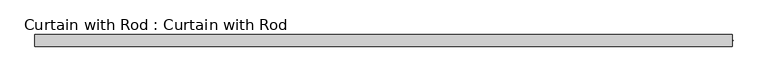
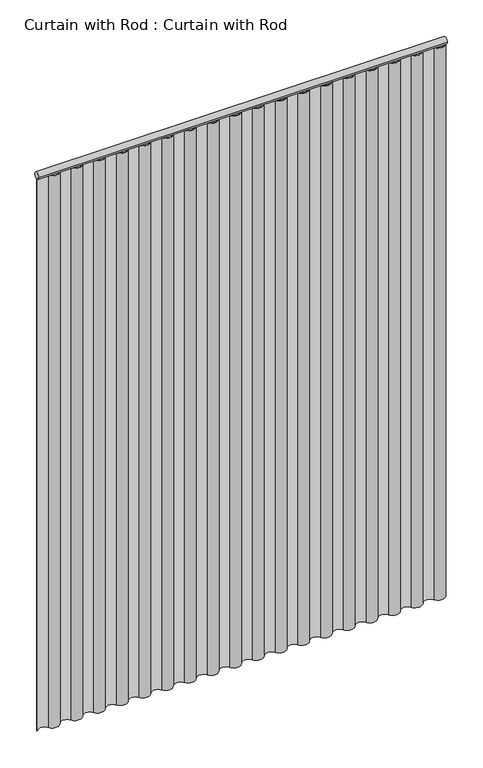
"""IFC4 building model written with IfcOpenShell, lengths in millimetres: proxy geometry, Curtain with Rod : Curtain with Rod."""

from ifc_helpers import new_model, si_unit, point, frame, frame_2d, origin, origin_with_axes, place, context, project, spatial, polyline, circle_curve, trimmed, segment, composite_curve, outline, extrude, source, transform, mapped, element, save


def curtain_with_rod_curtain_with_rod_9ff3320e(model_context):
    return source(origin(), model_context, "Body", "SweptSolid", [
        extrude(outline(composite_curve([segment(trimmed(circle_curve(frame_2d((0.0, 2171.7)), 12.7), [point((-12.7, 2171.7))], [point((12.7, 2171.7))], False, "CARTESIAN"), True, "CONTINUOUS"), segment(trimmed(circle_curve(frame_2d((0.0, 2171.7)), 12.7), [point((12.7, 2171.7))], [point((-12.7, 2171.7))], False, "CARTESIAN"), True, "CONTINUOUS")], self_intersect=False)), frame((-756.2169551, 0.0, 0.0), z_axis=(1.0, 0.0, 0.0), x_axis=(0.0, 1.0, 0.0)), (0.0, 0.0, 1.0), 1512.4339102),
        extrude(outline(composite_curve([segment(trimmed(circle_curve(frame_2d((-693.1988755, 12.5569534)), 24.4730511), [point((-714.204902, 0.0))], [point((-672.192849, 0.0))], True, "CARTESIAN"), True, "CONTINUOUS"), segment(trimmed(circle_curve(frame_2d((-651.1868224, -12.5569534)), 24.4730511), [point((-672.192849, 0.0))], [point((-630.1807959, 0.0))], False, "CARTESIAN"), True, "CONTINUOUS"), segment(trimmed(circle_curve(frame_2d((-609.1747694, 12.5569534)), 24.4730511), [point((-630.1807959, 0.0))], [point((-588.1687428, 0.0))], True, "CARTESIAN"), True, "CONTINUOUS"), segment(trimmed(circle_curve(frame_2d((-567.1627163, -12.5569534)), 24.4730511), [point((-588.1687428, 0.0))], [point((-546.1566898, 0.0))], False, "CARTESIAN"), True, "CONTINUOUS"), segment(trimmed(circle_curve(frame_2d((-525.1506632, 12.5569534)), 24.4730511), [point((-546.1566898, 0.0))], [point((-504.1446367, 0.0))], True, "CARTESIAN"), True, "CONTINUOUS"), segment(trimmed(circle_curve(frame_2d((-483.1386102, -12.5569534)), 24.4730511), [point((-504.1446367, 0.0))], [point((-462.1325837, 0.0))], False, "CARTESIAN"), True, "CONTINUOUS"), segment(trimmed(circle_curve(frame_2d((-441.1265571, 12.5569534)), 24.4730511), [point((-462.1325837, 0.0))], [point((-420.1205306, 0.0))], True, "CARTESIAN"), True, "CONTINUOUS"), segment(trimmed(circle_curve(frame_2d((-399.1145041, -12.5569534)), 24.4730511), [point((-420.1205306, 0.0))], [point((-378.1084775, 0.0))], False, "CARTESIAN"), True, "CONTINUOUS"), segment(trimmed(circle_curve(frame_2d((-357.102451, 12.5569534)), 24.4730511), [point((-378.1084775, 0.0))], [point((-336.0964245, 0.0))], True, "CARTESIAN"), True, "CONTINUOUS"), segment(trimmed(circle_curve(frame_2d((-315.0903979, -12.5569534)), 24.4730511), [point((-336.0964245, 0.0))], [point((-294.0843714, 0.0))], False, "CARTESIAN"), True, "CONTINUOUS"), segment(trimmed(circle_curve(frame_2d((-273.0783449, 12.5569534)), 24.4730511), [point((-294.0843714, 0.0))], [point((-252.0723184, 0.0))], True, "CARTESIAN"), True, "CONTINUOUS"), segment(trimmed(circle_curve(frame_2d((-231.0662918, -12.5569534)), 24.4730511), [point((-252.0723184, 0.0))], [point((-210.0602653, 0.0))], False, "CARTESIAN"), True, "CONTINUOUS"), segment(trimmed(circle_curve(frame_2d((-189.0542388, 12.5569534)), 24.4730511), [point((-210.0602653, 0.0))], [point((-168.0482122, 0.0))], True, "CARTESIAN"), True, "CONTINUOUS"), segment(trimmed(circle_curve(frame_2d((-147.0421857, -12.5569534)), 24.4730511), [point((-168.0482122, 0.0))], [point((-126.0361592, 0.0))], False, "CARTESIAN"), True, "CONTINUOUS"), segment(trimmed(circle_curve(frame_2d((-105.0301326, 12.5569534)), 24.4730511), [point((-126.0361592, 0.0))], [point((-84.0241061, 0.0))], True, "CARTESIAN"), True, "CONTINUOUS"), segment(trimmed(circle_curve(frame_2d((-63.0180796, -12.5569534)), 24.4730511), [point((-84.0241061, 0.0))], [point((-42.0120531, 0.0))], False, "CARTESIAN"), True, "CONTINUOUS"), segment(trimmed(circle_curve(frame_2d((-21.0060265, 12.5569534)), 24.4730511), [point((-42.0120531, 0.0))], [point((0.0, 0.0))], True, "CARTESIAN"), True, "CONTINUOUS"), segment(trimmed(circle_curve(frame_2d((21.0060265, -12.5569534)), 24.4730511), [point((0.0, 0.0))], [point((42.0120531, 0.0))], False, "CARTESIAN"), True, "CONTINUOUS"), segment(trimmed(circle_curve(frame_2d((63.0180796, 12.5569534)), 24.4730511), [point((42.0120531, 0.0))], [point((84.0241061, 0.0))], True, "CARTESIAN"), True, "CONTINUOUS"), segment(trimmed(circle_curve(frame_2d((105.0301326, -12.5569534)), 24.4730511), [point((84.0241061, 0.0))], [point((126.0361592, 0.0))], False, "CARTESIAN"), True, "CONTINUOUS"), segment(trimmed(circle_curve(frame_2d((147.0421857, 12.5569534)), 24.4730511), [point((126.0361592, 0.0))], [point((168.0482122, 0.0))], True, "CARTESIAN"), True, "CONTINUOUS"), segment(trimmed(circle_curve(frame_2d((189.0542388, -12.5569534)), 24.4730511), [point((168.0482122, 0.0))], [point((210.0602653, 0.0))], False, "CARTESIAN"), True, "CONTINUOUS"), segment(trimmed(circle_curve(frame_2d((231.0662918, 12.5569534)), 24.4730511), [point((210.0602653, 0.0))], [point((252.0723184, 0.0))], True, "CARTESIAN"), True, "CONTINUOUS"), segment(trimmed(circle_curve(frame_2d((273.0783449, -12.5569534)), 24.4730511), [point((252.0723184, 0.0))], [point((294.0843714, 0.0))], False, "CARTESIAN"), True, "CONTINUOUS"), segment(trimmed(circle_curve(frame_2d((315.0903979, 12.5569534)), 24.4730511), [point((294.0843714, 0.0))], [point((336.0964245, 0.0))], True, "CARTESIAN"), True, "CONTINUOUS"), segment(trimmed(circle_curve(frame_2d((357.102451, -12.5569534)), 24.4730511), [point((336.0964245, 0.0))], [point((378.1084775, 0.0))], False, "CARTESIAN"), True, "CONTINUOUS"), segment(trimmed(circle_curve(frame_2d((399.1145041, 12.5569534)), 24.4730511), [point((378.1084775, 0.0))], [point((420.1205306, 0.0))], True, "CARTESIAN"), True, "CONTINUOUS"), segment(trimmed(circle_curve(frame_2d((441.1265571, -12.5569534)), 24.4730511), [point((420.1205306, 0.0))], [point((462.1325837, 0.0))], False, "CARTESIAN"), True, "CONTINUOUS"), segment(trimmed(circle_curve(frame_2d((483.1386102, 12.5569534)), 24.4730511), [point((462.1325837, 0.0))], [point((504.1446367, 0.0))], True, "CARTESIAN"), True, "CONTINUOUS"), segment(trimmed(circle_curve(frame_2d((525.1506632, -12.5569534)), 24.4730511), [point((504.1446367, 0.0))], [point((546.1566898, 0.0))], False, "CARTESIAN"), True, "CONTINUOUS"), segment(trimmed(circle_curve(frame_2d((567.1627163, 12.5569534)), 24.4730511), [point((546.1566898, 0.0))], [point((588.1687428, 0.0))], True, "CARTESIAN"), True, "CONTINUOUS"), segment(trimmed(circle_curve(frame_2d((609.1747694, -12.5569534)), 24.4730511), [point((588.1687428, 0.0))], [point((630.1807959, 0.0))], False, "CARTESIAN"), True, "CONTINUOUS"), segment(trimmed(circle_curve(frame_2d((651.1868224, 12.5569534)), 24.4730511), [point((630.1807959, 0.0))], [point((672.192849, 0.0))], True, "CARTESIAN"), True, "CONTINUOUS"), segment(trimmed(circle_curve(frame_2d((693.1988755, -12.5458324)), 24.4673469), [point((672.192849, 0.0))], [point((714.204902, 0.0))], False, "CARTESIAN"), True, "CONTINUOUS"), segment(trimmed(circle_curve(frame_2d((735.2109285, 12.6570383)), 24.5245544), [point((714.204902, 0.0))], [point((756.2169551, 0.0))], True, "CARTESIAN"), True, "CONTINUOUS"), segment(polyline([(756.2169551, 0.0), (758.0480045, 0.0)]), True, "CONTINUOUS"), segment(trimmed(circle_curve(frame_2d((735.2109285, 12.6570383)), 26.1100107), [point((758.0480045, 0.0))], [point((712.8198703, -0.7732694))], False, "CARTESIAN"), True, "CONTINUOUS"), segment(trimmed(circle_curve(frame_2d((693.1988755, -12.5458324)), 22.8817979), [point((712.8198703, -0.7732694))], [point((673.5563845, -0.809171))], True, "CARTESIAN"), True, "CONTINUOUS"), segment(trimmed(circle_curve(frame_2d((651.1868224, 12.5569534)), 26.0585991), [point((673.5563845, -0.809171))], [point((628.8198678, -0.8135337))], False, "CARTESIAN"), True, "CONTINUOUS"), segment(trimmed(circle_curve(frame_2d((609.1747694, -12.5569534)), 22.8875031), [point((628.8198678, -0.8135337))], [point((589.529671, -0.8135337))], True, "CARTESIAN"), True, "CONTINUOUS"), segment(trimmed(circle_curve(frame_2d((567.1627163, 12.5569534)), 26.0585991), [point((589.529671, -0.8135337))], [point((544.7957617, -0.8135337))], False, "CARTESIAN"), True, "CONTINUOUS"), segment(trimmed(circle_curve(frame_2d((525.1506632, -12.5569534)), 22.8875031), [point((544.7957617, -0.8135337))], [point((505.5055648, -0.8135337))], True, "CARTESIAN"), True, "CONTINUOUS"), segment(trimmed(circle_curve(frame_2d((483.1386102, 12.5569534)), 26.0585991), [point((505.5055648, -0.8135337))], [point((460.7716555, -0.8135337))], False, "CARTESIAN"), True, "CONTINUOUS"), segment(trimmed(circle_curve(frame_2d((441.1265571, -12.5569534)), 22.8875031), [point((460.7716555, -0.8135337))], [point((421.4814587, -0.8135337))], True, "CARTESIAN"), True, "CONTINUOUS"), segment(trimmed(circle_curve(frame_2d((399.1145041, 12.5569534)), 26.0585991), [point((421.4814587, -0.8135337))], [point((376.7475494, -0.8135337))], False, "CARTESIAN"), True, "CONTINUOUS"), segment(trimmed(circle_curve(frame_2d((357.102451, -12.5569534)), 22.8875031), [point((376.7475494, -0.8135337))], [point((337.4573526, -0.8135337))], True, "CARTESIAN"), True, "CONTINUOUS"), segment(trimmed(circle_curve(frame_2d((315.0903979, 12.5569534)), 26.0585991), [point((337.4573526, -0.8135337))], [point((292.7234433, -0.8135337))], False, "CARTESIAN"), True, "CONTINUOUS"), segment(trimmed(circle_curve(frame_2d((273.0783449, -12.5569534)), 22.8875031), [point((292.7234433, -0.8135337))], [point((253.4332465, -0.8135337))], True, "CARTESIAN"), True, "CONTINUOUS"), segment(trimmed(circle_curve(frame_2d((231.0662918, 12.5569534)), 26.0585991), [point((253.4332465, -0.8135337))], [point((208.6993372, -0.8135337))], False, "CARTESIAN"), True, "CONTINUOUS"), segment(trimmed(circle_curve(frame_2d((189.0542388, -12.5569534)), 22.8875031), [point((208.6993372, -0.8135337))], [point((169.4091404, -0.8135337))], True, "CARTESIAN"), True, "CONTINUOUS"), segment(trimmed(circle_curve(frame_2d((147.0421857, 12.5569534)), 26.0585991), [point((169.4091404, -0.8135337))], [point((124.6752311, -0.8135337))], False, "CARTESIAN"), True, "CONTINUOUS"), segment(trimmed(circle_curve(frame_2d((105.0301326, -12.5569534)), 22.8875031), [point((124.6752311, -0.8135337))], [point((85.3850342, -0.8135337))], True, "CARTESIAN"), True, "CONTINUOUS"), segment(trimmed(circle_curve(frame_2d((63.0180796, 12.5569534)), 26.0585991), [point((85.3850342, -0.8135337))], [point((40.6511249, -0.8135337))], False, "CARTESIAN"), True, "CONTINUOUS"), segment(trimmed(circle_curve(frame_2d((21.0060265, -12.5569534)), 22.8875031), [point((40.6511249, -0.8135337))], [point((1.3609281, -0.8135337))], True, "CARTESIAN"), True, "CONTINUOUS"), segment(trimmed(circle_curve(frame_2d((-21.0060265, 12.5569534)), 26.0585991), [point((1.3609281, -0.8135337))], [point((-43.3729812, -0.8135337))], False, "CARTESIAN"), True, "CONTINUOUS"), segment(trimmed(circle_curve(frame_2d((-63.0180796, -12.5569534)), 22.8875031), [point((-43.3729812, -0.8135337))], [point((-82.663178, -0.8135337))], True, "CARTESIAN"), True, "CONTINUOUS"), segment(trimmed(circle_curve(frame_2d((-105.0301326, 12.5569534)), 26.0585991), [point((-82.663178, -0.8135337))], [point((-127.3970873, -0.8135337))], False, "CARTESIAN"), True, "CONTINUOUS"), segment(trimmed(circle_curve(frame_2d((-147.0421857, -12.5569534)), 22.8875031), [point((-127.3970873, -0.8135337))], [point((-166.6872841, -0.8135337))], True, "CARTESIAN"), True, "CONTINUOUS"), segment(trimmed(circle_curve(frame_2d((-189.0542388, 12.5569534)), 26.0585991), [point((-166.6872841, -0.8135337))], [point((-211.4211934, -0.8135337))], False, "CARTESIAN"), True, "CONTINUOUS"), segment(trimmed(circle_curve(frame_2d((-231.0662918, -12.5569534)), 22.8875031), [point((-211.4211934, -0.8135337))], [point((-250.7113902, -0.8135337))], True, "CARTESIAN"), True, "CONTINUOUS"), segment(trimmed(circle_curve(frame_2d((-273.0783449, 12.5569534)), 26.0585991), [point((-250.7113902, -0.8135337))], [point((-295.4452995, -0.8135337))], False, "CARTESIAN"), True, "CONTINUOUS"), segment(trimmed(circle_curve(frame_2d((-315.0903979, -12.5569534)), 22.8875031), [point((-295.4452995, -0.8135337))], [point((-334.7354964, -0.8135337))], True, "CARTESIAN"), True, "CONTINUOUS"), segment(trimmed(circle_curve(frame_2d((-357.102451, 12.5569534)), 26.0585991), [point((-334.7354964, -0.8135337))], [point((-379.4694057, -0.8135337))], False, "CARTESIAN"), True, "CONTINUOUS"), segment(trimmed(circle_curve(frame_2d((-399.1145041, -12.5569534)), 22.8875031), [point((-379.4694057, -0.8135337))], [point((-418.7596025, -0.8135337))], True, "CARTESIAN"), True, "CONTINUOUS"), segment(trimmed(circle_curve(frame_2d((-441.1265571, 12.5569534)), 26.0585991), [point((-418.7596025, -0.8135337))], [point((-463.4935118, -0.8135337))], False, "CARTESIAN"), True, "CONTINUOUS"), segment(trimmed(circle_curve(frame_2d((-483.1386102, -12.5569534)), 22.8875031), [point((-463.4935118, -0.8135337))], [point((-502.7837086, -0.8135337))], True, "CARTESIAN"), True, "CONTINUOUS"), segment(trimmed(circle_curve(frame_2d((-525.1506632, 12.5569534)), 26.0585991), [point((-502.7837086, -0.8135337))], [point((-547.5176179, -0.8135337))], False, "CARTESIAN"), True, "CONTINUOUS"), segment(trimmed(circle_curve(frame_2d((-567.1627163, -12.5569534)), 22.8875031), [point((-547.5176179, -0.8135337))], [point((-586.8078147, -0.8135337))], True, "CARTESIAN"), True, "CONTINUOUS"), segment(trimmed(circle_curve(frame_2d((-609.1747694, 12.5569534)), 26.0585991), [point((-586.8078147, -0.8135337))], [point((-631.541724, -0.8135337))], False, "CARTESIAN"), True, "CONTINUOUS"), segment(trimmed(circle_curve(frame_2d((-651.1868224, -12.5569534)), 22.8875031), [point((-631.541724, -0.8135337))], [point((-670.8319208, -0.8135337))], True, "CARTESIAN"), True, "CONTINUOUS"), segment(trimmed(circle_curve(frame_2d((-693.1988755, 12.5569534)), 26.0585991), [point((-670.8319208, -0.8135337))], [point((-715.5667662, -0.8119678))], False, "CARTESIAN"), True, "CONTINUOUS"), segment(trimmed(circle_curve(frame_2d((-735.2109285, -12.4556422)), 22.8356798), [point((-715.5667662, -0.8119678))], [point((-754.3505536, 0.0))], True, "CARTESIAN"), True, "CONTINUOUS"), segment(polyline([(-754.3505536, 0.0), (-756.2169551, 0.0)]), True, "CONTINUOUS"), segment(trimmed(circle_curve(frame_2d((-735.2109285, -12.4556422)), 24.4212238), [point((-756.2169551, 0.0))], [point((-714.204902, 0.0))], False, "CARTESIAN"), True, "CONTINUOUS")], self_intersect=False)), origin_with_axes(), (0.0, 0.0, 1.0), 2159.0),
    ])


if __name__ == "__main__":
    model = new_model("IFC4")
    model_context = context("Model", 3, world=origin())
    ifc_project = project(units=[si_unit("LENGTHUNIT", "METRE", prefix="MILLI")], contexts=[model_context])
    site = spatial("IfcSite", under=ifc_project)
    building = spatial("IfcBuilding", under=site)
    placement = place(None, origin())
    curtain_with_rod_curtain_with_rod_shape = curtain_with_rod_curtain_with_rod_9ff3320e(model_context)
    element("IfcBuildingElementProxy", 1, Name="Curtain with Rod : Curtain with Rod", ObjectType="Curtain with Rod : Curtain with Rod", at=placement, inside=building, context=model_context, shape_type="MappedRepresentation", body=[
        mapped(curtain_with_rod_curtain_with_rod_shape, transform((0.0, 0.0, 0.0), x_axis=(1.0, 0.0, 0.0), y_axis=(0.0, 1.0, 0.0), z_axis=(0.0, 0.0, 1.0))),
    ])
    save(model, "model.ifc")
